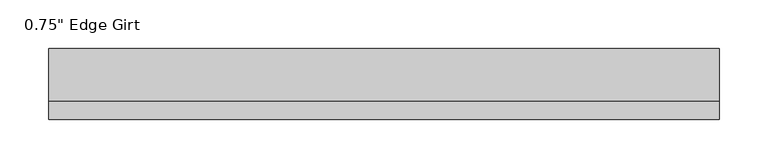
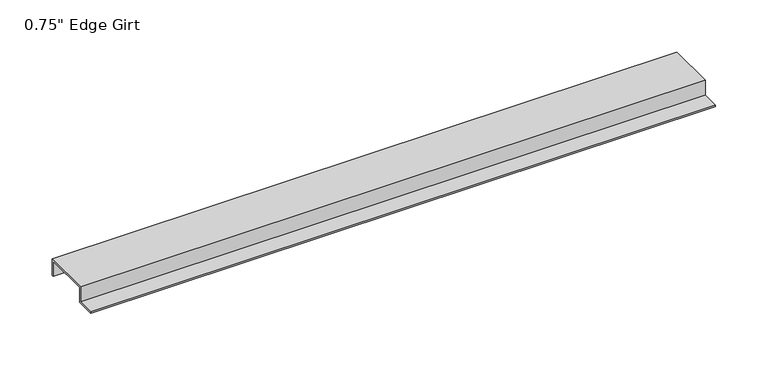
"""IFC4 building model written with IfcOpenShell, lengths in millimetres: proxy geometry."""

import ifcopenshell
import ifcopenshell.guid

model = None  # the IFC model being written
_history = None  # IfcOwnerHistory: only IFC2X3 demands one
_inside = {}  # id of a spatial element -> (the spatial element, [elements in it])
_under = {}  # id of a project, library or spatial element -> (it, [spatial elements below it])
_declared = {}  # id of a project -> (the project, [libraries it declares])
_typed = {}  # id of a type object -> (the type object, [elements of that type])
_made_of = {}  # id of a material, layer set ... -> (it, [elements and type objects made of it])


def new_model(schema):
    """Start an empty IFC model of exactly this schema.

    Asked for "IFC4X3", IfcOpenShell would pick the latest addendum, in which some entities
    have other attributes; the version numbers below select the first issue.
    IFC2X3 requires an IfcOwnerHistory on every rooted entity: one is made here for all.
    """
    global model, _history
    if schema == "IFC4X3":
        model = ifcopenshell.file(schema_version=(4, 3, 0, 0))
    else:
        model = ifcopenshell.file(schema=schema)
    _inside.clear()
    _under.clear()
    _declared.clear()
    _typed.clear()
    _made_of.clear()
    _history = None
    if model.schema == "IFC2X3":
        org = make("IfcOrganization", Name="unknown")
        user = make(
            "IfcPersonAndOrganization",
            ThePerson=make("IfcPerson", FamilyName="unknown"),
            TheOrganization=org,
        )
        app = make(
            "IfcApplication",
            ApplicationDeveloper=org,
            Version="unknown",
            ApplicationFullName="unknown",
            ApplicationIdentifier="unknown",
        )
        _history = make(
            "IfcOwnerHistory",
            OwningUser=user,
            OwningApplication=app,
            ChangeAction="ADDED",
            CreationDate=0,
        )
    return model


def make(cls, **values):
    """One entity of the class cls with the attributes given. An attribute that is None is left unset."""
    return model.create_entity(
        cls, **{name: value for name, value in values.items() if value is not None}
    )


def rooted(cls, **values):
    """An entity with a GlobalId (a new one), such as an element, a storey or a relation."""
    return make(cls, GlobalId=ifcopenshell.guid.new(), OwnerHistory=_history, **values)


def si_unit(unit_type, name, prefix=None):
    """IfcSIUnit, for example si_unit("LENGTHUNIT", "METRE", prefix="MILLI")."""
    return make("IfcSIUnit", UnitType=unit_type, Prefix=prefix, Name=name)


def assignment(units):
    """IfcUnitAssignment: the units of a project."""
    return None if units is None else make("IfcUnitAssignment", Units=units)


def point(xyz):
    """IfcCartesianPoint."""
    return None if xyz is None else make("IfcCartesianPoint", Coordinates=xyz)


def direction(xyz):
    """IfcDirection."""
    return None if xyz is None else make("IfcDirection", DirectionRatios=xyz)


def frame(location, z_axis=None, x_axis=None):
    """IfcAxis2Placement3D, a coordinate frame: its origin and axes. An axis left out is left unset."""
    return make(
        "IfcAxis2Placement3D",
        Location=point(location),
        Axis=direction(z_axis),
        RefDirection=direction(x_axis),
    )


def origin():
    """The frame at (0, 0, 0) with its axes left unset."""
    return frame((0.0, 0.0, 0.0))


def place(relative_to, where):
    """IfcLocalPlacement: puts the frame where relative to a parent placement (None: the world)."""
    return make(
        "IfcLocalPlacement", PlacementRelTo=relative_to, RelativePlacement=where
    )


def context(
    kind, dimensions, precision=None, world=None, true_north=None, identifier=None
):
    """IfcGeometricRepresentationContext, for example the 3D "Model" context."""
    return make(
        "IfcGeometricRepresentationContext",
        ContextIdentifier=identifier,
        ContextType=kind,
        CoordinateSpaceDimension=dimensions,
        Precision=precision,
        WorldCoordinateSystem=world,
        TrueNorth=true_north,
    )


def project(units=None, contexts=None):
    """IfcProject with its units and contexts."""
    return rooted(
        "IfcProject",
        Name="project",
        RepresentationContexts=contexts,
        UnitsInContext=assignment(units),
    )


def spatial(cls, under=None, at=None, **own):
    """A site, building, storey or space (cls), placed at a placement, below another one or the project."""
    s = rooted(cls, ObjectPlacement=at, **own)
    if under is not None:
        _under.setdefault(under.id(), (under, []))[1].append(s)
    return s


def polyline(points):
    """IfcPolyline through the points."""
    return make("IfcPolyline", Points=[point(p) for p in points])


def outline(outer, holes=None, kind="AREA"):
    """IfcArbitraryClosedProfileDef: a profile drawn as a closed curve; with holes, ...WithVoids."""
    if holes is None:
        return make("IfcArbitraryClosedProfileDef", ProfileType=kind, OuterCurve=outer)
    return make(
        "IfcArbitraryProfileDefWithVoids",
        ProfileType=kind,
        OuterCurve=outer,
        InnerCurves=holes,
    )


def extrude(swept, where, along, depth):
    """IfcExtrudedAreaSolid: the profile swept, set in the frame where, extruded along a direction by depth."""
    return make(
        "IfcExtrudedAreaSolid",
        SweptArea=swept,
        Position=where,
        ExtrudedDirection=direction(along),
        Depth=depth,
    )


def shape(context_of_items, identifier, shape_type, items):
    """IfcShapeRepresentation: the items that make up one representation, for example the "Body"."""
    return make(
        "IfcShapeRepresentation",
        ContextOfItems=context_of_items,
        RepresentationIdentifier=identifier,
        RepresentationType=shape_type,
        Items=items,
    )


def source(mapping_origin, context_of_items, identifier, shape_type, items):
    """IfcRepresentationMap: a shape defined once, which mapped items show again and again."""
    return make(
        "IfcRepresentationMap",
        MappingOrigin=mapping_origin,
        MappedRepresentation=shape(context_of_items, identifier, shape_type, items),
    )


def transform(
    local_origin,
    x_axis=None,
    y_axis=None,
    z_axis=None,
    scale=None,
    scale2=None,
    scale3=None,
    uniform=True,
):
    """IfcCartesianTransformationOperator3D, or its non-uniform kind. x_axis, y_axis, z_axis: its Axis1, 2, 3."""
    if uniform:
        return make(
            "IfcCartesianTransformationOperator3D",
            Axis1=direction(x_axis),
            Axis2=direction(y_axis),
            LocalOrigin=point(local_origin),
            Scale=scale,
            Axis3=direction(z_axis),
        )
    return make(
        "IfcCartesianTransformationOperator3DnonUniform",
        Axis1=direction(x_axis),
        Axis2=direction(y_axis),
        LocalOrigin=point(local_origin),
        Scale=scale,
        Axis3=direction(z_axis),
        Scale2=scale2,
        Scale3=scale3,
    )


def mapped(mapping_source, mapping_target):
    """IfcMappedItem: shows the shape of a source again, moved by a transform."""
    return make(
        "IfcMappedItem", MappingSource=mapping_source, MappingTarget=mapping_target
    )


def made_of(thing, what):
    """Note that an element or type object is made of a material, layer set ...; save() writes the relation."""
    if what is not None:
        _made_of.setdefault(what.id(), (what, []))[1].append(thing)
    return thing


def element(
    cls,
    number,
    at=None,
    inside=None,
    cuts=None,
    type_object=None,
    material=None,
    context=None,
    identifier="Body",
    shape_type=None,
    held_by="IfcProductDefinitionShape",
    body=None,
    shapes=None,
    **own,
):
    """One element of the class cls, such as IfcWall. Its Tag is "e" and its number.

    at: its placement. inside: the storey or other place that contains it. cuts: it is an
    opening in that element (IfcRelVoidsElement). A single representation is given by context,
    identifier, shape_type and body (its items); several are given by shapes. held_by: the class
    of the entity that holds the representations. save() writes the other relations.
    """
    e = rooted(cls, Tag="e%d" % number, ObjectPlacement=at, **own)
    if body is not None:
        shapes = [shape(context, identifier, shape_type, body)]
    if shapes is not None:
        e.Representation = make(held_by, Representations=shapes)
    if inside is not None:
        _inside.setdefault(inside.id(), (inside, []))[1].append(e)
    if cuts is not None:
        rooted(
            "IfcRelVoidsElement", RelatingBuildingElement=cuts, RelatedOpeningElement=e
        )
    if type_object is not None:
        _typed.setdefault(type_object.id(), (type_object, []))[1].append(e)
    return made_of(e, material)


def aggregate(whole, parts):
    """IfcRelAggregates: a whole, such as a stair, and the parts it consists of."""
    return rooted("IfcRelAggregates", RelatingObject=whole, RelatedObjects=parts)


def save(model, path):
    """Write the relations noted so far, then the file.

    IfcRelAggregates (storeys below a building ...), IfcRelContainedInSpatialStructure (elements
    in a storey), IfcRelDefinesByType, IfcRelAssociatesMaterial and IfcRelDeclares: one each for
    every whole, place, type object, material and project.
    """
    for whole, parts in _under.values():
        aggregate(whole, parts)
    for where, things in _inside.values():
        rooted(
            "IfcRelContainedInSpatialStructure",
            RelatedElements=things,
            RelatingStructure=where,
        )
    for kind, things in _typed.values():
        rooted("IfcRelDefinesByType", RelatedObjects=things, RelatingType=kind)
    for what, things in _made_of.values():
        rooted("IfcRelAssociatesMaterial", RelatedObjects=things, RelatingMaterial=what)
    for by, libraries in _declared.values():
        rooted("IfcRelDeclares", RelatingContext=by, RelatedDefinitions=libraries)
    model.write(path)


def proxy_9d3d9e3a(model_context):
    return source(origin(), model_context, "Body", "SweptSolid", [
        extrude(outline(polyline([(-46.0559645, -17.4375), (-46.0559645, -15.8242), (-27.0129, -15.8242), (-27.0129, 1.6129), (27.0129, 1.6129), (27.0129, -17.4375), (25.4, -17.4375), (25.4, 0.0), (-25.4, 0.0), (-25.4, -17.4375), (-46.0559645, -17.4375)])), frame((0.0, 0.0, 0.0), z_axis=(1.0, 0.0, 0.0), x_axis=(0.0, 1.0, 0.0)), (0.0, 0.0, 1.0), 689.0119291),
    ])


if __name__ == "__main__":
    model = new_model("IFC4")
    model_context = context("Model", 3, world=origin())
    ifc_project = project(units=[si_unit("LENGTHUNIT", "METRE", prefix="MILLI")], contexts=[model_context])
    site = spatial("IfcSite", under=ifc_project)
    building = spatial("IfcBuilding", under=site)
    placement = place(None, origin())
    proxy_shape = proxy_9d3d9e3a(model_context)
    element("IfcBuildingElementProxy", 1, Name="0.75\" Edge Girt", ObjectType="0.75\" Edge Girt", at=placement, inside=building, context=model_context, shape_type="MappedRepresentation", body=[
        mapped(proxy_shape, transform((0.0, 0.0, 0.0), x_axis=(1.0, 0.0, 0.0), y_axis=(0.0, 1.0, 0.0), z_axis=(0.0, 0.0, 1.0))),
    ])
    save(model, "model.ifc")
